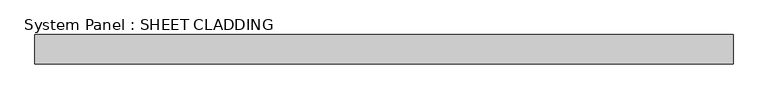
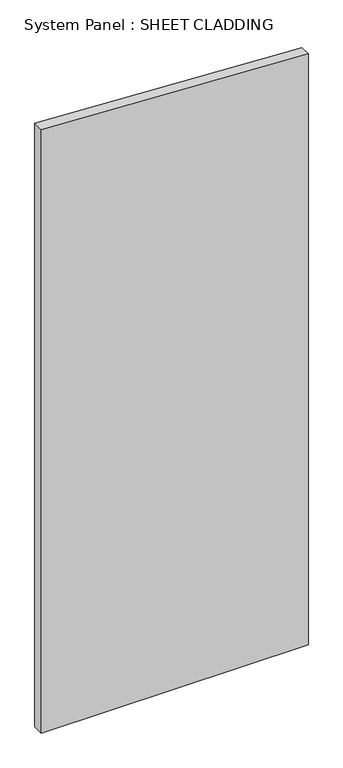
"""IFC4 building model written with IfcOpenShell, lengths in millimetres: plate geometry, System Panel : SHEET CLADDING."""

import ifcopenshell
import ifcopenshell.guid

model = None  # the IFC model being written
_history = None  # IfcOwnerHistory: only IFC2X3 demands one
_inside = {}  # id of a spatial element -> (the spatial element, [elements in it])
_under = {}  # id of a project, library or spatial element -> (it, [spatial elements below it])
_declared = {}  # id of a project -> (the project, [libraries it declares])
_typed = {}  # id of a type object -> (the type object, [elements of that type])
_made_of = {}  # id of a material, layer set ... -> (it, [elements and type objects made of it])


def new_model(schema):
    """Start an empty IFC model of exactly this schema.

    Asked for "IFC4X3", IfcOpenShell would pick the latest addendum, in which some entities
    have other attributes; the version numbers below select the first issue.
    IFC2X3 requires an IfcOwnerHistory on every rooted entity: one is made here for all.
    """
    global model, _history
    if schema == "IFC4X3":
        model = ifcopenshell.file(schema_version=(4, 3, 0, 0))
    else:
        model = ifcopenshell.file(schema=schema)
    _inside.clear()
    _under.clear()
    _declared.clear()
    _typed.clear()
    _made_of.clear()
    _history = None
    if model.schema == "IFC2X3":
        org = make("IfcOrganization", Name="unknown")
        user = make(
            "IfcPersonAndOrganization",
            ThePerson=make("IfcPerson", FamilyName="unknown"),
            TheOrganization=org,
        )
        app = make(
            "IfcApplication",
            ApplicationDeveloper=org,
            Version="unknown",
            ApplicationFullName="unknown",
            ApplicationIdentifier="unknown",
        )
        _history = make(
            "IfcOwnerHistory",
            OwningUser=user,
            OwningApplication=app,
            ChangeAction="ADDED",
            CreationDate=0,
        )
    return model


def make(cls, **values):
    """One entity of the class cls with the attributes given. An attribute that is None is left unset."""
    return model.create_entity(
        cls, **{name: value for name, value in values.items() if value is not None}
    )


def rooted(cls, **values):
    """An entity with a GlobalId (a new one), such as an element, a storey or a relation."""
    return make(cls, GlobalId=ifcopenshell.guid.new(), OwnerHistory=_history, **values)


def si_unit(unit_type, name, prefix=None):
    """IfcSIUnit, for example si_unit("LENGTHUNIT", "METRE", prefix="MILLI")."""
    return make("IfcSIUnit", UnitType=unit_type, Prefix=prefix, Name=name)


def assignment(units):
    """IfcUnitAssignment: the units of a project."""
    return None if units is None else make("IfcUnitAssignment", Units=units)


def point(xyz):
    """IfcCartesianPoint."""
    return None if xyz is None else make("IfcCartesianPoint", Coordinates=xyz)


def direction(xyz):
    """IfcDirection."""
    return None if xyz is None else make("IfcDirection", DirectionRatios=xyz)


def frame(location, z_axis=None, x_axis=None):
    """IfcAxis2Placement3D, a coordinate frame: its origin and axes. An axis left out is left unset."""
    return make(
        "IfcAxis2Placement3D",
        Location=point(location),
        Axis=direction(z_axis),
        RefDirection=direction(x_axis),
    )


def origin():
    """The frame at (0, 0, 0) with its axes left unset."""
    return frame((0.0, 0.0, 0.0))


def place(relative_to, where):
    """IfcLocalPlacement: puts the frame where relative to a parent placement (None: the world)."""
    return make(
        "IfcLocalPlacement", PlacementRelTo=relative_to, RelativePlacement=where
    )


def context(
    kind, dimensions, precision=None, world=None, true_north=None, identifier=None
):
    """IfcGeometricRepresentationContext, for example the 3D "Model" context."""
    return make(
        "IfcGeometricRepresentationContext",
        ContextIdentifier=identifier,
        ContextType=kind,
        CoordinateSpaceDimension=dimensions,
        Precision=precision,
        WorldCoordinateSystem=world,
        TrueNorth=true_north,
    )


def project(units=None, contexts=None):
    """IfcProject with its units and contexts."""
    return rooted(
        "IfcProject",
        Name="project",
        RepresentationContexts=contexts,
        UnitsInContext=assignment(units),
    )


def spatial(cls, under=None, at=None, **own):
    """A site, building, storey or space (cls), placed at a placement, below another one or the project."""
    s = rooted(cls, ObjectPlacement=at, **own)
    if under is not None:
        _under.setdefault(under.id(), (under, []))[1].append(s)
    return s


def polyline(points):
    """IfcPolyline through the points."""
    return make("IfcPolyline", Points=[point(p) for p in points])


def outline(outer, holes=None, kind="AREA"):
    """IfcArbitraryClosedProfileDef: a profile drawn as a closed curve; with holes, ...WithVoids."""
    if holes is None:
        return make("IfcArbitraryClosedProfileDef", ProfileType=kind, OuterCurve=outer)
    return make(
        "IfcArbitraryProfileDefWithVoids",
        ProfileType=kind,
        OuterCurve=outer,
        InnerCurves=holes,
    )


def extrude(swept, where, along, depth):
    """IfcExtrudedAreaSolid: the profile swept, set in the frame where, extruded along a direction by depth."""
    return make(
        "IfcExtrudedAreaSolid",
        SweptArea=swept,
        Position=where,
        ExtrudedDirection=direction(along),
        Depth=depth,
    )


def shape(context_of_items, identifier, shape_type, items):
    """IfcShapeRepresentation: the items that make up one representation, for example the "Body"."""
    return make(
        "IfcShapeRepresentation",
        ContextOfItems=context_of_items,
        RepresentationIdentifier=identifier,
        RepresentationType=shape_type,
        Items=items,
    )


def source(mapping_origin, context_of_items, identifier, shape_type, items):
    """IfcRepresentationMap: a shape defined once, which mapped items show again and again."""
    return make(
        "IfcRepresentationMap",
        MappingOrigin=mapping_origin,
        MappedRepresentation=shape(context_of_items, identifier, shape_type, items),
    )


def transform(
    local_origin,
    x_axis=None,
    y_axis=None,
    z_axis=None,
    scale=None,
    scale2=None,
    scale3=None,
    uniform=True,
):
    """IfcCartesianTransformationOperator3D, or its non-uniform kind. x_axis, y_axis, z_axis: its Axis1, 2, 3."""
    if uniform:
        return make(
            "IfcCartesianTransformationOperator3D",
            Axis1=direction(x_axis),
            Axis2=direction(y_axis),
            LocalOrigin=point(local_origin),
            Scale=scale,
            Axis3=direction(z_axis),
        )
    return make(
        "IfcCartesianTransformationOperator3DnonUniform",
        Axis1=direction(x_axis),
        Axis2=direction(y_axis),
        LocalOrigin=point(local_origin),
        Scale=scale,
        Axis3=direction(z_axis),
        Scale2=scale2,
        Scale3=scale3,
    )


def mapped(mapping_source, mapping_target):
    """IfcMappedItem: shows the shape of a source again, moved by a transform."""
    return make(
        "IfcMappedItem", MappingSource=mapping_source, MappingTarget=mapping_target
    )


def made_of(thing, what):
    """Note that an element or type object is made of a material, layer set ...; save() writes the relation."""
    if what is not None:
        _made_of.setdefault(what.id(), (what, []))[1].append(thing)
    return thing


def element(
    cls,
    number,
    at=None,
    inside=None,
    cuts=None,
    type_object=None,
    material=None,
    context=None,
    identifier="Body",
    shape_type=None,
    held_by="IfcProductDefinitionShape",
    body=None,
    shapes=None,
    **own,
):
    """One element of the class cls, such as IfcWall. Its Tag is "e" and its number.

    at: its placement. inside: the storey or other place that contains it. cuts: it is an
    opening in that element (IfcRelVoidsElement). A single representation is given by context,
    identifier, shape_type and body (its items); several are given by shapes. held_by: the class
    of the entity that holds the representations. save() writes the other relations.
    """
    e = rooted(cls, Tag="e%d" % number, ObjectPlacement=at, **own)
    if body is not None:
        shapes = [shape(context, identifier, shape_type, body)]
    if shapes is not None:
        e.Representation = make(held_by, Representations=shapes)
    if inside is not None:
        _inside.setdefault(inside.id(), (inside, []))[1].append(e)
    if cuts is not None:
        rooted(
            "IfcRelVoidsElement", RelatingBuildingElement=cuts, RelatedOpeningElement=e
        )
    if type_object is not None:
        _typed.setdefault(type_object.id(), (type_object, []))[1].append(e)
    return made_of(e, material)


def aggregate(whole, parts):
    """IfcRelAggregates: a whole, such as a stair, and the parts it consists of."""
    return rooted("IfcRelAggregates", RelatingObject=whole, RelatedObjects=parts)


def save(model, path):
    """Write the relations noted so far, then the file.

    IfcRelAggregates (storeys below a building ...), IfcRelContainedInSpatialStructure (elements
    in a storey), IfcRelDefinesByType, IfcRelAssociatesMaterial and IfcRelDeclares: one each for
    every whole, place, type object, material and project.
    """
    for whole, parts in _under.values():
        aggregate(whole, parts)
    for where, things in _inside.values():
        rooted(
            "IfcRelContainedInSpatialStructure",
            RelatedElements=things,
            RelatingStructure=where,
        )
    for kind, things in _typed.values():
        rooted("IfcRelDefinesByType", RelatedObjects=things, RelatingType=kind)
    for what, things in _made_of.values():
        rooted("IfcRelAssociatesMaterial", RelatedObjects=things, RelatingMaterial=what)
    for by, libraries in _declared.values():
        rooted("IfcRelDeclares", RelatingContext=by, RelatedDefinitions=libraries)
    model.write(path)


def system_panel_sheet_cladding_5d1c2f32(model_context):
    return source(origin(), model_context, "Body", "SweptSolid", [
        extrude(outline(polyline([(0.0, -718.75), (0.0, 718.75), (3360.1, 718.75), (3431.975, -718.75), (0.0, -718.75)])), frame((0.0, -49.5, 0.0), z_axis=(0.0, 1.0, 0.0), x_axis=(0.0, 0.0, 1.0)), (0.0, 0.0, 1.0), 60.0),
    ])


if __name__ == "__main__":
    model = new_model("IFC4")
    model_context = context("Model", 3, world=origin())
    ifc_project = project(units=[si_unit("LENGTHUNIT", "METRE", prefix="MILLI")], contexts=[model_context])
    site = spatial("IfcSite", under=ifc_project)
    building = spatial("IfcBuilding", under=site)
    placement = place(None, origin())
    system_panel_sheet_cladding_shape = system_panel_sheet_cladding_5d1c2f32(model_context)
    element("IfcPlate", 1, ObjectType="System Panel : SHEET CLADDING", at=placement, inside=building, context=model_context, shape_type="MappedRepresentation", body=[
        mapped(system_panel_sheet_cladding_shape, transform((0.0, 0.0, 0.0), x_axis=(1.0, 0.0, 0.0), y_axis=(0.0, 1.0, 0.0), z_axis=(0.0, 0.0, 1.0))),
    ])
    save(model, "model.ifc")
